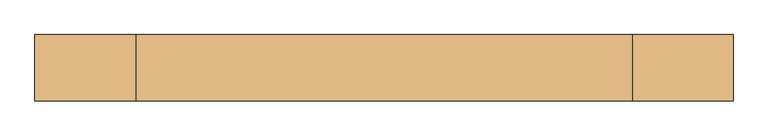
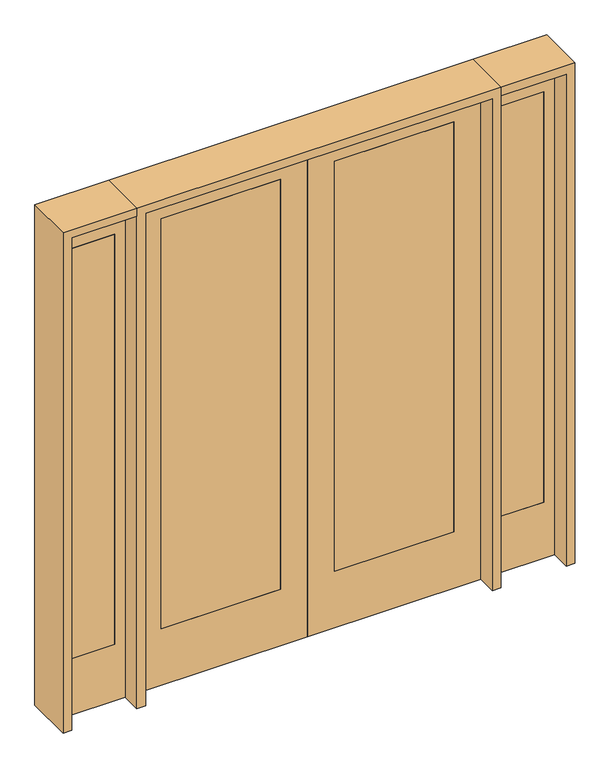
"""IFC4 building model written with IfcOpenShell, lengths in millimetres: door geometry."""

from ifc_helpers import new_model, si_unit, frame, origin, place, context, project, spatial, polyline, outline, extrude, source, transform, mapped, element, save


def door_b7f45b83(model_context):
    return source(origin(), model_context, "Body", "SweptSolid", [
        extrude(outline(polyline([(1108.075, 20.6375), (1108.075, -20.6375), (904.875, -20.6375), (904.875, 20.6375), (1108.075, 20.6375)])), frame((0.0, 0.0, 279.4), z_axis=(0.0, 0.0, 1.0), x_axis=(1.0, 0.0, 0.0)), (0.0, 0.0, 1.0), 2032.0),
        extrude(outline(polyline([(0.0, 854.075), (0.0, 1158.875), (2438.4, 1158.875), (2438.4, 854.075), (0.0, 854.075)]), holes=[polyline([(2311.4, 1108.075), (279.4, 1108.075), (279.4, 904.875), (2311.4, 904.875), (2311.4, 1108.075)])]), frame((0.0, -20.6375, 0.0), z_axis=(0.0, 1.0, 0.0), x_axis=(0.0, 0.0, 1.0)), (0.0, 0.0, 1.0), 41.275),
        extrude(outline(polyline([(-904.875, 20.6375), (-904.875, -20.6375), (-1108.075, -20.6375), (-1108.075, 20.6375), (-904.875, 20.6375)])), frame((0.0, 0.0, 279.4), z_axis=(0.0, 0.0, 1.0), x_axis=(1.0, 0.0, 0.0)), (0.0, 0.0, 1.0), 2032.0),
        extrude(outline(polyline([(0.0, -1158.875), (0.0, -854.075), (2438.4, -854.075), (2438.4, -1158.875), (0.0, -1158.875)]), holes=[polyline([(2311.4, -904.875), (279.4, -904.875), (279.4, -1108.075), (2311.4, -1108.075), (2311.4, -904.875)])]), frame((0.0, -20.6375, 0.0), z_axis=(0.0, 1.0, 0.0), x_axis=(0.0, 0.0, 1.0)), (0.0, 0.0, 1.0), 41.275),
        extrude(outline(polyline([(2438.4, 812.8), (2438.4, 0.0), (0.0, 0.0), (0.0, 812.8), (2438.4, 812.8)]), holes=[polyline([(279.4, 685.8), (279.4, 127.0), (2311.4, 127.0), (2311.4, 685.8), (279.4, 685.8)])]), frame((0.0, -20.6375, 0.0), z_axis=(0.0, 1.0, 0.0), x_axis=(0.0, 0.0, 1.0)), (0.0, 0.0, 1.0), 41.275),
        extrude(outline(polyline([(127.0, 20.6375), (685.8, 20.6375), (685.8, -20.6375), (127.0, -20.6375), (127.0, 20.6375)])), frame((0.0, 0.0, 279.4), z_axis=(0.0, 0.0, 1.0), x_axis=(1.0, 0.0, 0.0)), (0.0, 0.0, 1.0), 2032.0),
        extrude(outline(polyline([(2438.4, -812.8), (0.0, -812.8), (0.0, 0.0), (2438.4, 0.0), (2438.4, -812.8)]), holes=[polyline([(279.4, -685.8), (2311.4, -685.8), (2311.4, -127.0), (279.4, -127.0), (279.4, -685.8)])]), frame((0.0, -20.6375, 0.0), z_axis=(0.0, 1.0, 0.0), x_axis=(0.0, 0.0, 1.0)), (0.0, 0.0, 1.0), 41.275),
        extrude(outline(polyline([(-127.0, 20.6375), (-127.0, -20.6375), (-685.8, -20.6375), (-685.8, 20.6375), (-127.0, 20.6375)])), frame((0.0, 0.0, 279.4), z_axis=(0.0, 0.0, 1.0), x_axis=(1.0, 0.0, 0.0)), (0.0, 0.0, 1.0), 2032.0),
        extrude(outline(polyline([(2479.675, -854.075), (2479.675, -1200.15), (0.0, -1200.15), (0.0, -1158.875), (2438.4, -1158.875), (2438.4, -854.075), (2479.675, -854.075)])), frame((0.0, -114.3, 0.0), z_axis=(0.0, 1.0, 0.0), x_axis=(0.0, 0.0, 1.0)), (0.0, 0.0, 1.0), 228.6),
        extrude(outline(polyline([(2479.675, -854.075), (0.0, -854.075), (0.0, -812.8), (2438.4, -812.8), (2438.4, 812.8), (0.0, 812.8), (0.0, 854.075), (2479.675, 854.075), (2479.675, -854.075)])), frame((0.0, -114.3, 0.0), z_axis=(0.0, 1.0, 0.0), x_axis=(0.0, 0.0, 1.0)), (0.0, 0.0, 1.0), 228.6),
        extrude(outline(polyline([(0.0, 1200.15), (2479.675, 1200.15), (2479.675, 854.075), (2438.4, 854.075), (2438.4, 1158.875), (0.0, 1158.875), (0.0, 1200.15)])), frame((0.0, -114.3, 0.0), z_axis=(0.0, 1.0, 0.0), x_axis=(0.0, 0.0, 1.0)), (0.0, 0.0, 1.0), 228.6),
    ])


if __name__ == "__main__":
    model = new_model("IFC4")
    model_context = context("Model", 3, world=origin())
    ifc_project = project(units=[si_unit("LENGTHUNIT", "METRE", prefix="MILLI")], contexts=[model_context])
    site = spatial("IfcSite", under=ifc_project)
    building = spatial("IfcBuilding", under=site)
    placement = place(None, origin())
    door_shape = door_b7f45b83(model_context)
    element("IfcDoor", 1, at=placement, inside=building, context=model_context, shape_type="MappedRepresentation", body=[
        mapped(door_shape, transform((0.0, 0.0, 0.0), x_axis=(1.0, 0.0, 0.0), y_axis=(0.0, 1.0, 0.0), z_axis=(0.0, 0.0, 1.0))),
    ])
    save(model, "model.ifc")
